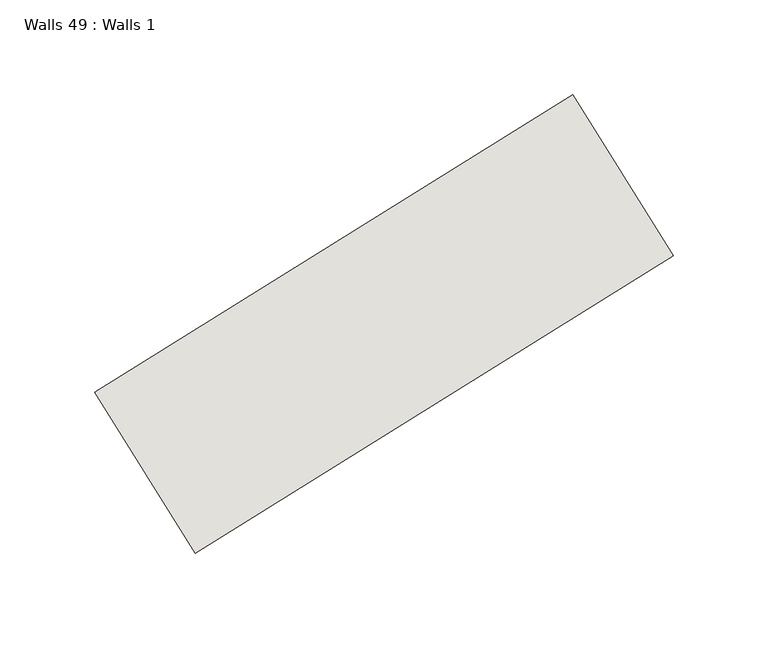
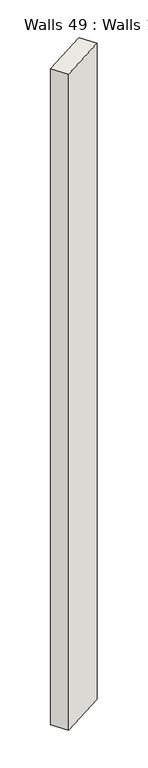
"""IFC4 building model written with IfcOpenShell, lengths in millimetres: wall geometry, Walls 49 : Walls 1."""

from ifc_helpers import new_model, si_unit, origin, origin_with_axes, place, context, project, spatial, polyline, outline, extrude, source, transform, mapped, element, save


def walls_49_walls_1_36279b35(model_context):
    return source(origin(), model_context, "Body", "SweptSolid", [
        extrude(outline(polyline([(11323.1317451, -2020.7547713), (11575.0395804, -1863.9415614), (11627.8869097, -1948.8365542), (11375.9790744, -2105.649764), (11323.1317451, -2020.7547713)])), origin_with_axes(), (0.0, 0.0, 1.0), 3938.0407008),
    ])


if __name__ == "__main__":
    model = new_model("IFC4")
    model_context = context("Model", 3, world=origin())
    ifc_project = project(units=[si_unit("LENGTHUNIT", "METRE", prefix="MILLI")], contexts=[model_context])
    site = spatial("IfcSite", under=ifc_project)
    building = spatial("IfcBuilding", under=site)
    placement = place(None, origin())
    walls_49_walls_1_shape = walls_49_walls_1_36279b35(model_context)
    element("IfcWall", 1, ObjectType="Walls 49 : Walls 1", at=placement, inside=building, context=model_context, shape_type="MappedRepresentation", body=[
        mapped(walls_49_walls_1_shape, transform((0.0, 0.0, 0.0), x_axis=(1.0, 0.0, 0.0), y_axis=(0.0, 1.0, 0.0), z_axis=(0.0, 0.0, 1.0))),
    ])
    save(model, "model.ifc")
